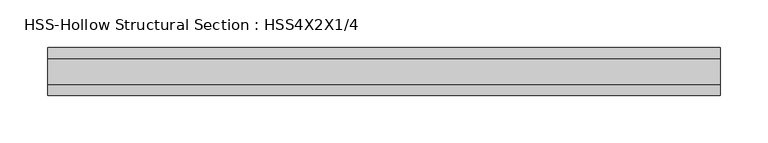
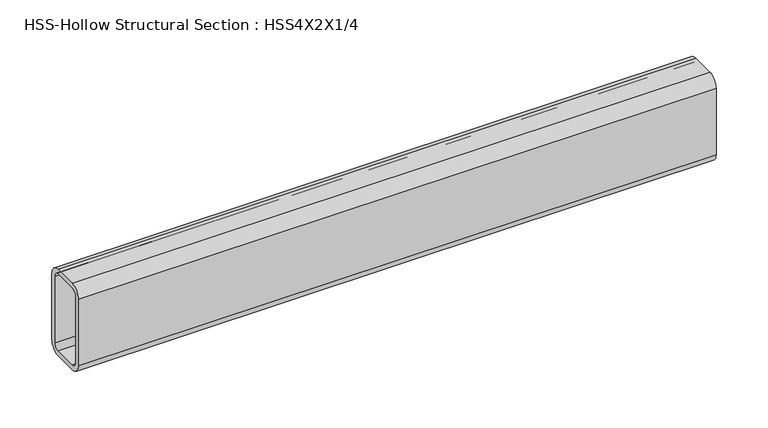
"""IFC4 building model written with IfcOpenShell, lengths in millimetres: beam geometry, HSS-Hollow Structural Section : HSS4X2X1/4."""

from ifc_helpers import new_model, si_unit, point, frame, frame_2d, origin, place, context, project, spatial, polyline, circle_curve, trimmed, segment, composite_curve, outline, extrude, source, transform, mapped, element, save


def hss_hollow_structural_section_hss4x2x1_4_cba7f5b5(model_context):
    return source(origin(), model_context, "Body", "SweptSolid", [
        extrude(outline(composite_curve([segment(polyline([(25.4, 38.9636), (25.4, -38.9636)]), True, "CONTINUOUS"), segment(trimmed(circle_curve(frame_2d((13.5636, -38.9636)), 11.8364), [point((25.4, -38.9636))], [point((13.5636, -50.8))], False, "CARTESIAN"), True, "CONTINUOUS"), segment(polyline([(13.5636, -50.8), (-13.5636, -50.8)]), True, "CONTINUOUS"), segment(trimmed(circle_curve(frame_2d((-13.5636, -38.9636)), 11.8364), [point((-13.5636, -50.8))], [point((-25.4, -38.9636))], False, "CARTESIAN"), True, "CONTINUOUS"), segment(polyline([(-25.4, -38.9636), (-25.4, 38.9636)]), True, "CONTINUOUS"), segment(trimmed(circle_curve(frame_2d((-13.5636, 38.9636)), 11.8364), [point((-25.4, 38.9636))], [point((-13.5636, 50.8))], False, "CARTESIAN"), True, "CONTINUOUS"), segment(polyline([(-13.5636, 50.8), (13.5636, 50.8)]), True, "CONTINUOUS"), segment(trimmed(circle_curve(frame_2d((13.5636, 38.9636)), 11.8364), [point((13.5636, 50.8))], [point((25.4, 38.9636))], False, "CARTESIAN"), True, "CONTINUOUS")], self_intersect=False), holes=[composite_curve([segment(trimmed(circle_curve(frame_2d((-13.5636, 38.9636)), 5.9182), [point((-13.5636, 44.8818))], [point((-19.4818, 38.9636))], True, "CARTESIAN"), True, "CONTINUOUS"), segment(polyline([(-19.4818, 38.9636), (-19.4818, -38.9636)]), True, "CONTINUOUS"), segment(trimmed(circle_curve(frame_2d((-13.5636, -38.9636)), 5.9182), [point((-19.4818, -38.9636))], [point((-13.5636, -44.8818))], True, "CARTESIAN"), True, "CONTINUOUS"), segment(polyline([(-13.5636, -44.8818), (13.5636, -44.8818)]), True, "CONTINUOUS"), segment(trimmed(circle_curve(frame_2d((13.5636, -38.9636)), 5.9182), [point((13.5636, -44.8818))], [point((19.4818, -38.9636))], True, "CARTESIAN"), True, "CONTINUOUS"), segment(polyline([(19.4818, -38.9636), (19.4818, 38.9636)]), True, "CONTINUOUS"), segment(trimmed(circle_curve(frame_2d((13.5636, 38.9636)), 5.9182), [point((19.4818, 38.9636))], [point((13.5636, 44.8818))], True, "CARTESIAN"), True, "CONTINUOUS"), segment(polyline([(13.5636, 44.8818), (-13.5636, 44.8818)]), True, "CONTINUOUS")], self_intersect=False)]), frame((-354.14077, 0.0, 0.0), z_axis=(1.0, 0.0, 0.0), x_axis=(0.0, 1.0, 0.0)), (0.0, 0.0, 1.0), 708.2815394),
    ])


if __name__ == "__main__":
    model = new_model("IFC4")
    model_context = context("Model", 3, world=origin())
    ifc_project = project(units=[si_unit("LENGTHUNIT", "METRE", prefix="MILLI")], contexts=[model_context])
    site = spatial("IfcSite", under=ifc_project)
    building = spatial("IfcBuilding", under=site)
    placement = place(None, origin())
    hss_hollow_structural_section_hss4x2x1_4_shape = hss_hollow_structural_section_hss4x2x1_4_cba7f5b5(model_context)
    element("IfcBeam", 1, ObjectType="HSS-Hollow Structural Section : HSS4X2X1/4", at=placement, inside=building, context=model_context, shape_type="MappedRepresentation", body=[
        mapped(hss_hollow_structural_section_hss4x2x1_4_shape, transform((0.0, 0.0, 0.0), x_axis=(1.0, 0.0, 0.0), y_axis=(0.0, 1.0, 0.0), z_axis=(0.0, 0.0, 1.0))),
    ])
    save(model, "model.ifc")
